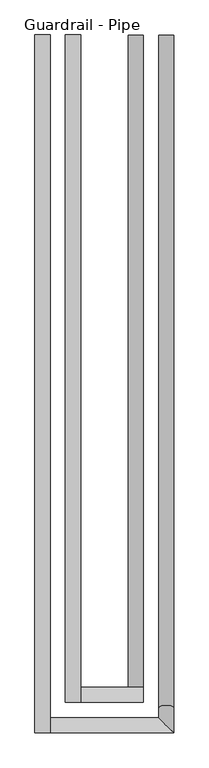
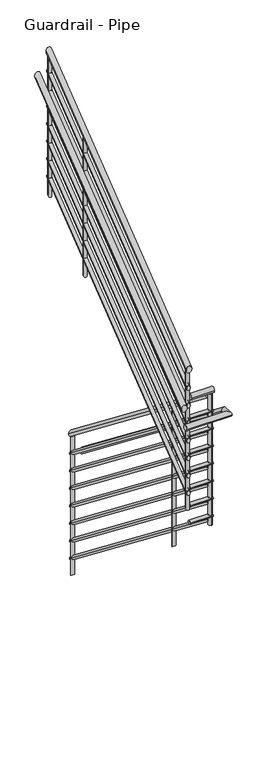
"""IFC4 building model written with IfcOpenShell, lengths in millimetres: railing geometry, Guardrail - Pipe."""

from ifc_helpers import new_model, si_unit, point, frame, frame_2d, origin, place, context, project, spatial, circle_curve, ellipse_curve, trimmed, segment, composite_curve, outline, extrude, source, transform, mapped, element, save
from ifc_brep_helpers import plane_surface, cylinder_surface, advanced_brep


def guardrail_pipe_df04e860(model_context):
    return source(origin(), model_context, "Body", "SolidModel", [
        advanced_brep(
        [(2796.4118823, 247.1226057, 1260.3636861), (2758.3118823, 247.1226057, 1260.3636861), (2796.4118823, -1384.8273943, 2532.0130367), (2758.3118823, -1384.8273943, 2532.0130367)],
        [
            (0, 1, ellipse_curve(frame((2777.3618823, 247.1226057, 1260.3636861), z_axis=(0.0, 1.0, 0.0), x_axis=(0.0, 0.0, -1.0)), 24.1505996, 19.05)),
            (1, 0, ellipse_curve(frame((2777.3618823, 247.1226057, 1260.3636861), z_axis=(0.0, 1.0, 0.0), x_axis=(0.0, 0.0, -1.0)), 24.1505996, 19.05)),
            (2, 3, ellipse_curve(frame((2777.3618823, -1384.8273943, 2532.0130367), z_axis=(0.0, -1.0, 0.0), x_axis=(0.0, 0.0, -1.0)), 24.1505996, 19.05)),
            (3, 2, ellipse_curve(frame((2777.3618823, -1384.8273943, 2532.0130367), z_axis=(0.0, -1.0, 0.0), x_axis=(0.0, 0.0, -1.0)), 24.1505996, 19.05)),
            (0, 2),
            (3, 1),
        ],
        [
            plane_surface(frame((2777.3618823, 247.1226057, 1284.5142857), z_axis=(0.0, 1.0, 0.0), x_axis=(0.0, 0.0, -1.0))),
            plane_surface(frame((2777.3618823, -1384.8273943, 2556.1636364), z_axis=(0.0, -1.0, 0.0), x_axis=(0.0, 0.0, -1.0))),
            cylinder_surface(frame((2777.3618823, 235.4135313, 1269.4876402), z_axis=(0.0, 0.7888002901785599, -0.614649576762418), x_axis=(-1.0, 0.0, 0.0)), 19.05),
        ],
        [
            (0, [[1, 2]]),
            (1, [[3, 4]]),
            (2, [[-1, 5, -4, 6]]),
            (2, [[-2, -6, -3, -5]]),
        ],
    ),
        advanced_brep(
        [(2796.4118823, -1422.9273943, 2571.75), (2796.4118823, -1384.8273943, 2571.75), (2639.318901, -1422.9273943, 2571.75), (2639.318901, -1384.8273943, 2571.75)],
        [
            (0, 1, circle_curve(frame((2796.4118823, -1403.8773943, 2571.75), z_axis=(1.0, 0.0, 0.0), x_axis=(0.0, 1.0, 0.0)), 19.05)),
            (1, 0, circle_curve(frame((2796.4118823, -1403.8773943, 2571.75), z_axis=(1.0, 0.0, 0.0), x_axis=(0.0, 1.0, 0.0)), 19.05)),
            (2, 3, circle_curve(frame((2639.318901, -1403.8773943, 2571.75), z_axis=(-1.0, 0.0, 0.0), x_axis=(0.0, 1.0, 0.0)), 19.05)),
            (3, 2, circle_curve(frame((2639.318901, -1403.8773943, 2571.75), z_axis=(-1.0, 0.0, 0.0), x_axis=(0.0, 1.0, 0.0)), 19.05)),
            (0, 2),
            (3, 1),
        ],
        [
            plane_surface(frame((2796.4118823, -1403.8773943, 2590.8), z_axis=(1.0, 0.0, 0.0), x_axis=(0.0, -1.0, 0.0))),
            plane_surface(frame((2639.318901, -1403.8773943, 2590.8), z_axis=(-1.0, 0.0, 0.0), x_axis=(0.0, -1.0, 0.0))),
            cylinder_surface(frame((2796.4118823, -1403.8773943, 2571.75), z_axis=(1.0, 0.0, 0.0), x_axis=(0.0, 1.0, 0.0)), 19.05),
        ],
        [
            (0, [[1, 2]]),
            (1, [[3, 4]]),
            (2, [[-1, 5, -4, 6]]),
            (2, [[-2, -6, -3, -5]]),
        ],
    ),
        advanced_brep(
        [(2601.218901, -1422.9273943, 2789.311738), (2639.318901, -1422.9273943, 2789.311738), (2601.218901, 247.1226057, 4090.6494004), (2639.318901, 247.1226057, 4090.6494004)],
        [
            (0, 1, ellipse_curve(frame((2620.268901, -1422.9273943, 2789.311738), z_axis=(0.0, -1.0, 0.0), x_axis=(0.0, 0.0, -1.0)), 24.1505996, 19.05)),
            (1, 0, ellipse_curve(frame((2620.268901, -1422.9273943, 2789.311738), z_axis=(0.0, -1.0, 0.0), x_axis=(0.0, 0.0, -1.0)), 24.1505996, 19.05)),
            (2, 3, ellipse_curve(frame((2620.268901, 247.1226057, 4090.6494004), z_axis=(0.0, 1.0, 0.0), x_axis=(0.0, 0.0, -1.0)), 24.1505996, 19.05)),
            (3, 2, ellipse_curve(frame((2620.268901, 247.1226057, 4090.6494004), z_axis=(0.0, 1.0, 0.0), x_axis=(0.0, 0.0, -1.0)), 24.1505996, 19.05)),
            (0, 2),
            (3, 1),
        ],
        [
            plane_surface(frame((2620.268901, -1422.9273943, 2813.4623377), z_axis=(0.0, -1.0, 0.0), x_axis=(0.0, 0.0, 1.0))),
            plane_surface(frame((2620.268901, 247.1226057, 4114.8), z_axis=(0.0, 1.0, 0.0), x_axis=(0.0, 0.0, 1.0))),
            cylinder_surface(frame((2620.268901, -1411.2183198, 2798.4356921), z_axis=(0.0, -0.7888002901785602, -0.6146495767624177), x_axis=(1.0, 0.0, 0.0)), 19.05),
        ],
        [
            (0, [[1, 2]]),
            (1, [[3, 4]]),
            (2, [[-1, 5, -4, 6]]),
            (2, [[-2, -6, -3, -5]]),
        ],
    ),
        advanced_brep(
        [(2790.0618823, 247.1226057, 1116.013886), (2764.6618823, 247.1226057, 1116.013886), (2790.0618823, -1391.1773943, 2392.6112886), (2764.6618823, -1391.1773943, 2392.6112886)],
        [
            (0, 1, ellipse_curve(frame((2777.3618823, 247.1226057, 1116.013886), z_axis=(0.0, 1.0, 0.0), x_axis=(0.0, 0.0, -1.0)), 16.1003998, 12.7)),
            (1, 0, ellipse_curve(frame((2777.3618823, 247.1226057, 1116.013886), z_axis=(0.0, 1.0, 0.0), x_axis=(0.0, 0.0, -1.0)), 16.1003998, 12.7)),
            (2, 3, ellipse_curve(frame((2777.3618823, -1391.1773943, 2392.6112886), z_axis=(0.0, -1.0, 0.0), x_axis=(0.0, 0.0, -1.0)), 16.1003998, 12.7)),
            (3, 2, ellipse_curve(frame((2777.3618823, -1391.1773943, 2392.6112886), z_axis=(0.0, -1.0, 0.0), x_axis=(0.0, 0.0, -1.0)), 16.1003998, 12.7)),
            (0, 2),
            (3, 1),
        ],
        [
            plane_surface(frame((2777.3618823, 247.1226057, 1132.1142857), z_axis=(0.0, 1.0, 0.0), x_axis=(0.0, 0.0, -1.0))),
            plane_surface(frame((2777.3618823, -1391.1773943, 2408.7116883), z_axis=(0.0, -1.0, 0.0), x_axis=(0.0, 0.0, -1.0))),
            cylinder_surface(frame((2777.3618823, 239.3165561, 1122.096522), z_axis=(0.0, 0.7888002901785599, -0.6146495767624182), x_axis=(-1.0, 0.0, 0.0)), 12.7),
        ],
        [
            (0, [[1, 2]]),
            (1, [[3, 4]]),
            (2, [[-1, 5, -4, 6]]),
            (2, [[-2, -6, -3, -5]]),
        ],
    ),
        advanced_brep(
        [(2790.0618823, -1416.5773943, 2425.7), (2790.0618823, -1391.1773943, 2425.7), (2632.968901, -1416.5773943, 2425.7), (2632.968901, -1391.1773943, 2425.7)],
        [
            (0, 1, circle_curve(frame((2790.0618823, -1403.8773943, 2425.7), z_axis=(1.0, 0.0, 0.0), x_axis=(0.0, 1.0, 0.0)), 12.7)),
            (1, 0, circle_curve(frame((2790.0618823, -1403.8773943, 2425.7), z_axis=(1.0, 0.0, 0.0), x_axis=(0.0, 1.0, 0.0)), 12.7)),
            (2, 3, circle_curve(frame((2632.968901, -1403.8773943, 2425.7), z_axis=(-1.0, 0.0, 0.0), x_axis=(0.0, 1.0, 0.0)), 12.7)),
            (3, 2, circle_curve(frame((2632.968901, -1403.8773943, 2425.7), z_axis=(-1.0, 0.0, 0.0), x_axis=(0.0, 1.0, 0.0)), 12.7)),
            (0, 2),
            (3, 1),
        ],
        [
            plane_surface(frame((2790.0618823, -1403.8773943, 2438.4), z_axis=(1.0, 0.0, 0.0), x_axis=(0.0, -1.0, 0.0))),
            plane_surface(frame((2632.968901, -1403.8773943, 2438.4), z_axis=(-1.0, 0.0, 0.0), x_axis=(0.0, -1.0, 0.0))),
            cylinder_surface(frame((2790.0618823, -1403.8773943, 2425.7), z_axis=(1.0, 0.0, 0.0), x_axis=(0.0, 1.0, 0.0)), 12.7),
        ],
        [
            (0, [[1, 2]]),
            (1, [[3, 4]]),
            (2, [[-1, 5, -4, 6]]),
            (2, [[-2, -6, -3, -5]]),
        ],
    ),
        advanced_brep(
        [(2607.568901, -1416.5773943, 2649.9099899), (2632.968901, -1416.5773943, 2649.9099899), (2607.568901, 247.1226057, 3946.2996002), (2632.968901, 247.1226057, 3946.2996002)],
        [
            (0, 1, ellipse_curve(frame((2620.268901, -1416.5773943, 2649.9099899), z_axis=(0.0, -1.0, 0.0), x_axis=(0.0, 0.0, -1.0)), 16.1003998, 12.7)),
            (1, 0, ellipse_curve(frame((2620.268901, -1416.5773943, 2649.9099899), z_axis=(0.0, -1.0, 0.0), x_axis=(0.0, 0.0, -1.0)), 16.1003998, 12.7)),
            (2, 3, ellipse_curve(frame((2620.268901, 247.1226057, 3946.2996002), z_axis=(0.0, 1.0, 0.0), x_axis=(0.0, 0.0, -1.0)), 16.1003998, 12.7)),
            (3, 2, ellipse_curve(frame((2620.268901, 247.1226057, 3946.2996002), z_axis=(0.0, 1.0, 0.0), x_axis=(0.0, 0.0, -1.0)), 16.1003998, 12.7)),
            (0, 2),
            (3, 1),
        ],
        [
            plane_surface(frame((2620.268901, -1416.5773943, 2666.0103896), z_axis=(0.0, -1.0, 0.0), x_axis=(0.0, 0.0, 1.0))),
            plane_surface(frame((2620.268901, 247.1226057, 3962.4), z_axis=(0.0, 1.0, 0.0), x_axis=(0.0, 0.0, 1.0))),
            cylinder_surface(frame((2620.268901, -1408.7713446, 2655.9926259), z_axis=(0.0, -0.7888002901785602, -0.6146495767624177), x_axis=(1.0, 0.0, 0.0)), 12.7),
        ],
        [
            (0, [[1, 2]]),
            (1, [[3, 4]]),
            (2, [[-1, 5, -4, 6]]),
            (2, [[-2, -6, -3, -5]]),
        ],
    ),
        advanced_brep(
        [(2872.6118823, 247.1226057, 1107.9636861), (2834.5118823, 247.1226057, 1107.9636861), (2872.6118823, -1435.8231638, 2419.35), (2834.5118823, -1435.8231638, 2419.35), (2872.6118823, -1499.1273943, 2419.35), (2834.5118823, -1461.0273943, 2419.35), (2563.118901, -1499.1273943, 2419.35), (2563.118901, -1461.0273943, 2419.35)],
        [
            (0, 1, ellipse_curve(frame((2853.5618823, 247.1226057, 1107.9636861), z_axis=(0.0, 1.0, 0.0), x_axis=(0.0, 0.0, -1.0)), 24.1505996, 19.05)),
            (1, 0, ellipse_curve(frame((2853.5618823, 247.1226057, 1107.9636861), z_axis=(0.0, 1.0, 0.0), x_axis=(0.0, 0.0, -1.0)), 24.1505996, 19.05)),
            (0, 2),
            (2, 3, ellipse_curve(frame((2853.5618823, -1435.8231638, 2419.35), z_axis=(0.0, 0.9457273101107316, -0.32496131294466424), x_axis=(0.0, -0.32496131294466407, -0.9457273101107315)), 20.1432271, 19.05)),
            (3, 1),
            (3, 2, ellipse_curve(frame((2853.5618823, -1435.8231638, 2419.35), z_axis=(0.0, 0.9457273101107316, -0.32496131294466424), x_axis=(0.0, -0.32496131294466407, -0.9457273101107315)), 20.1432271, 19.05)),
            (2, 4),
            (4, 5, ellipse_curve(frame((2853.5618823, -1480.0773943, 2419.35), z_axis=(0.7071067811865461, 0.7071067811865489, 0.0), x_axis=(-0.7071067811865489, 0.7071067811865461, 0.0)), 26.9407684, 19.05)),
            (5, 3),
            (5, 4, ellipse_curve(frame((2853.5618823, -1480.0773943, 2419.35), z_axis=(0.7071067811865461, 0.7071067811865489, 0.0), x_axis=(-0.7071067811865489, 0.7071067811865461, 0.0)), 26.9407684, 19.05)),
            (6, 7, circle_curve(frame((2563.118901, -1480.0773943, 2419.35), z_axis=(-1.0, 0.0, 0.0), x_axis=(0.0, 1.0, 0.0)), 19.05)),
            (7, 6, circle_curve(frame((2563.118901, -1480.0773943, 2419.35), z_axis=(-1.0, 0.0, 0.0), x_axis=(0.0, 1.0, 0.0)), 19.05)),
            (4, 6),
            (7, 5),
        ],
        [
            plane_surface(frame((2853.5618823, 247.1226057, 1132.1142857), z_axis=(0.0, 1.0, 0.0), x_axis=(0.0, 0.0, -1.0))),
            cylinder_surface(frame((2853.5618823, 235.4135313, 1117.0876402), z_axis=(0.0, 0.78880029017856, -0.614649576762418), x_axis=(-1.0, 0.0, 0.0)), 19.05),
            cylinder_surface(frame((2853.5618823, -1429.2773943, 2419.35), z_axis=(0.0, 1.0, 0.0), x_axis=(-1.0, 0.0, 0.0)), 19.05),
            plane_surface(frame((2563.118901, -1480.0773943, 2438.4), z_axis=(-1.0, 0.0, 0.0), x_axis=(0.0, -1.0, 0.0))),
            cylinder_surface(frame((2853.5618823, -1480.0773943, 2419.35), z_axis=(1.0, 0.0, 0.0), x_axis=(0.0, 1.0, 0.0)), 19.05),
        ],
        [
            (0, [[1, 2]]),
            (1, [[-1, 3, 4, 5]]),
            (1, [[-2, -5, 6, -3]]),
            (2, [[-4, 7, 8, 9]]),
            (2, [[-6, -9, 10, -7]]),
            (3, [[11, 12]]),
            (4, [[-8, 13, -12, 14]]),
            (4, [[-10, -14, -11, -13]]),
        ],
    ),
        advanced_brep(
        [(2525.018901, -1499.1273943, 2577.5351147), (2563.118901, -1499.1273943, 2577.5351147), (2525.018901, 247.1226057, 3938.2494004), (2563.118901, 247.1226057, 3938.2494004)],
        [
            (0, 1, ellipse_curve(frame((2544.068901, -1499.1273943, 2577.5351147), z_axis=(0.0, -1.0, 0.0), x_axis=(0.0, 0.0, -1.0)), 24.1505996, 19.05)),
            (1, 0, ellipse_curve(frame((2544.068901, -1499.1273943, 2577.5351147), z_axis=(0.0, -1.0, 0.0), x_axis=(0.0, 0.0, -1.0)), 24.1505996, 19.05)),
            (2, 3, ellipse_curve(frame((2544.068901, 247.1226057, 3938.2494004), z_axis=(0.0, 1.0, 0.0), x_axis=(0.0, 0.0, -1.0)), 24.1505996, 19.05)),
            (3, 2, ellipse_curve(frame((2544.068901, 247.1226057, 3938.2494004), z_axis=(0.0, 1.0, 0.0), x_axis=(0.0, 0.0, -1.0)), 24.1505996, 19.05)),
            (0, 2),
            (3, 1),
        ],
        [
            plane_surface(frame((2544.068901, -1499.1273943, 2601.6857143), z_axis=(0.0, -1.0, 0.0), x_axis=(0.0, 0.0, 1.0))),
            plane_surface(frame((2544.068901, 247.1226057, 3962.4), z_axis=(0.0, 1.0, 0.0), x_axis=(0.0, 0.0, 1.0))),
            cylinder_surface(frame((2544.068901, -1487.4183198, 2586.6590688), z_axis=(0.0, -0.7888002901785602, -0.6146495767624176), x_axis=(1.0, 0.0, 0.0)), 19.05),
        ],
        [
            (0, [[1, 2]]),
            (1, [[3, 4]]),
            (2, [[-1, 5, -4, 6]]),
            (2, [[-2, -6, -3, -5]]),
        ],
    ),
        advanced_brep(
        [(2790.0618823, 247.1226057, 989.013886), (2764.6618823, 247.1226057, 989.013886), (2790.0618823, -1391.1773943, 2265.6112886), (2764.6618823, -1391.1773943, 2265.6112886)],
        [
            (0, 1, ellipse_curve(frame((2777.3618823, 247.1226057, 989.013886), z_axis=(0.0, 1.0, 0.0), x_axis=(0.0, 0.0, -1.0)), 16.1003998, 12.7)),
            (1, 0, ellipse_curve(frame((2777.3618823, 247.1226057, 989.013886), z_axis=(0.0, 1.0, 0.0), x_axis=(0.0, 0.0, -1.0)), 16.1003998, 12.7)),
            (2, 3, ellipse_curve(frame((2777.3618823, -1391.1773943, 2265.6112886), z_axis=(0.0, -1.0, 0.0), x_axis=(0.0, 0.0, -1.0)), 16.1003998, 12.7)),
            (3, 2, ellipse_curve(frame((2777.3618823, -1391.1773943, 2265.6112886), z_axis=(0.0, -1.0, 0.0), x_axis=(0.0, 0.0, -1.0)), 16.1003998, 12.7)),
            (0, 2),
            (3, 1),
        ],
        [
            plane_surface(frame((2777.3618823, 247.1226057, 1005.1142857), z_axis=(0.0, 1.0, 0.0), x_axis=(0.0, 0.0, -1.0))),
            plane_surface(frame((2777.3618823, -1391.1773943, 2281.7116883), z_axis=(0.0, -1.0, 0.0), x_axis=(0.0, 0.0, -1.0))),
            cylinder_surface(frame((2777.3618823, 239.3165561, 995.096522), z_axis=(0.0, 0.7888002901785599, -0.6146495767624182), x_axis=(-1.0, 0.0, 0.0)), 12.7),
        ],
        [
            (0, [[1, 2]]),
            (1, [[3, 4]]),
            (2, [[-1, 5, -4, 6]]),
            (2, [[-2, -6, -3, -5]]),
        ],
    ),
        advanced_brep(
        [(2790.0618823, -1416.5773943, 2298.7), (2790.0618823, -1391.1773943, 2298.7), (2632.968901, -1416.5773943, 2298.7), (2632.968901, -1391.1773943, 2298.7)],
        [
            (0, 1, circle_curve(frame((2790.0618823, -1403.8773943, 2298.7), z_axis=(1.0, 0.0, 0.0), x_axis=(0.0, 1.0, 0.0)), 12.7)),
            (1, 0, circle_curve(frame((2790.0618823, -1403.8773943, 2298.7), z_axis=(1.0, 0.0, 0.0), x_axis=(0.0, 1.0, 0.0)), 12.7)),
            (2, 3, circle_curve(frame((2632.968901, -1403.8773943, 2298.7), z_axis=(-1.0, 0.0, 0.0), x_axis=(0.0, 1.0, 0.0)), 12.7)),
            (3, 2, circle_curve(frame((2632.968901, -1403.8773943, 2298.7), z_axis=(-1.0, 0.0, 0.0), x_axis=(0.0, 1.0, 0.0)), 12.7)),
            (0, 2),
            (3, 1),
        ],
        [
            plane_surface(frame((2790.0618823, -1403.8773943, 2311.4), z_axis=(1.0, 0.0, 0.0), x_axis=(0.0, -1.0, 0.0))),
            plane_surface(frame((2632.968901, -1403.8773943, 2311.4), z_axis=(-1.0, 0.0, 0.0), x_axis=(0.0, -1.0, 0.0))),
            cylinder_surface(frame((2790.0618823, -1403.8773943, 2298.7), z_axis=(1.0, 0.0, 0.0), x_axis=(0.0, 1.0, 0.0)), 12.7),
        ],
        [
            (0, [[1, 2]]),
            (1, [[3, 4]]),
            (2, [[-1, 5, -4, 6]]),
            (2, [[-2, -6, -3, -5]]),
        ],
    ),
        advanced_brep(
        [(2607.568901, -1416.5773943, 2522.9099899), (2632.968901, -1416.5773943, 2522.9099899), (2607.568901, 247.1226057, 3819.2996002), (2632.968901, 247.1226057, 3819.2996002)],
        [
            (0, 1, ellipse_curve(frame((2620.268901, -1416.5773943, 2522.9099899), z_axis=(0.0, -1.0, 0.0), x_axis=(0.0, 0.0, -1.0)), 16.1003998, 12.7)),
            (1, 0, ellipse_curve(frame((2620.268901, -1416.5773943, 2522.9099899), z_axis=(0.0, -1.0, 0.0), x_axis=(0.0, 0.0, -1.0)), 16.1003998, 12.7)),
            (2, 3, ellipse_curve(frame((2620.268901, 247.1226057, 3819.2996002), z_axis=(0.0, 1.0, 0.0), x_axis=(0.0, 0.0, -1.0)), 16.1003998, 12.7)),
            (3, 2, ellipse_curve(frame((2620.268901, 247.1226057, 3819.2996002), z_axis=(0.0, 1.0, 0.0), x_axis=(0.0, 0.0, -1.0)), 16.1003998, 12.7)),
            (0, 2),
            (3, 1),
        ],
        [
            plane_surface(frame((2620.268901, -1416.5773943, 2539.0103896), z_axis=(0.0, -1.0, 0.0), x_axis=(0.0, 0.0, 1.0))),
            plane_surface(frame((2620.268901, 247.1226057, 3835.4), z_axis=(0.0, 1.0, 0.0), x_axis=(0.0, 0.0, 1.0))),
            cylinder_surface(frame((2620.268901, -1408.7713446, 2528.9926259), z_axis=(0.0, -0.7888002901785603, -0.6146495767624175), x_axis=(1.0, 0.0, 0.0)), 12.7),
        ],
        [
            (0, [[1, 2]]),
            (1, [[3, 4]]),
            (2, [[-1, 5, -4, 6]]),
            (2, [[-2, -6, -3, -5]]),
        ],
    ),
        advanced_brep(
        [(2790.0618823, 247.1226057, 862.013886), (2764.6618823, 247.1226057, 862.013886), (2790.0618823, -1391.1773943, 2138.6112886), (2764.6618823, -1391.1773943, 2138.6112886)],
        [
            (0, 1, ellipse_curve(frame((2777.3618823, 247.1226057, 862.013886), z_axis=(0.0, 1.0, 0.0), x_axis=(0.0, 0.0, -1.0)), 16.1003998, 12.7)),
            (1, 0, ellipse_curve(frame((2777.3618823, 247.1226057, 862.013886), z_axis=(0.0, 1.0, 0.0), x_axis=(0.0, 0.0, -1.0)), 16.1003998, 12.7)),
            (2, 3, ellipse_curve(frame((2777.3618823, -1391.1773943, 2138.6112886), z_axis=(0.0, -1.0, 0.0), x_axis=(0.0, 0.0, -1.0)), 16.1003998, 12.7)),
            (3, 2, ellipse_curve(frame((2777.3618823, -1391.1773943, 2138.6112886), z_axis=(0.0, -1.0, 0.0), x_axis=(0.0, 0.0, -1.0)), 16.1003998, 12.7)),
            (0, 2),
            (3, 1),
        ],
        [
            plane_surface(frame((2777.3618823, 247.1226057, 878.1142857), z_axis=(0.0, 1.0, 0.0), x_axis=(0.0, 0.0, -1.0))),
            plane_surface(frame((2777.3618823, -1391.1773943, 2154.7116883), z_axis=(0.0, -1.0, 0.0), x_axis=(0.0, 0.0, -1.0))),
            cylinder_surface(frame((2777.3618823, 239.3165561, 868.096522), z_axis=(0.0, 0.7888002901785599, -0.614649576762418), x_axis=(-1.0, 0.0, 0.0)), 12.7),
        ],
        [
            (0, [[1, 2]]),
            (1, [[3, 4]]),
            (2, [[-1, 5, -4, 6]]),
            (2, [[-2, -6, -3, -5]]),
        ],
    ),
        advanced_brep(
        [(2790.0618823, -1416.5773943, 2171.7), (2790.0618823, -1391.1773943, 2171.7), (2632.968901, -1416.5773943, 2171.7), (2632.968901, -1391.1773943, 2171.7)],
        [
            (0, 1, circle_curve(frame((2790.0618823, -1403.8773943, 2171.7), z_axis=(1.0, 0.0, 0.0), x_axis=(0.0, 1.0, 0.0)), 12.7)),
            (1, 0, circle_curve(frame((2790.0618823, -1403.8773943, 2171.7), z_axis=(1.0, 0.0, 0.0), x_axis=(0.0, 1.0, 0.0)), 12.7)),
            (2, 3, circle_curve(frame((2632.968901, -1403.8773943, 2171.7), z_axis=(-1.0, 0.0, 0.0), x_axis=(0.0, 1.0, 0.0)), 12.7)),
            (3, 2, circle_curve(frame((2632.968901, -1403.8773943, 2171.7), z_axis=(-1.0, 0.0, 0.0), x_axis=(0.0, 1.0, 0.0)), 12.7)),
            (0, 2),
            (3, 1),
        ],
        [
            plane_surface(frame((2790.0618823, -1403.8773943, 2184.4), z_axis=(1.0, 0.0, 0.0), x_axis=(0.0, -1.0, 0.0))),
            plane_surface(frame((2632.968901, -1403.8773943, 2184.4), z_axis=(-1.0, 0.0, 0.0), x_axis=(0.0, -1.0, 0.0))),
            cylinder_surface(frame((2790.0618823, -1403.8773943, 2171.7), z_axis=(1.0, 0.0, 0.0), x_axis=(0.0, 1.0, 0.0)), 12.7),
        ],
        [
            (0, [[1, 2]]),
            (1, [[3, 4]]),
            (2, [[-1, 5, -4, 6]]),
            (2, [[-2, -6, -3, -5]]),
        ],
    ),
        advanced_brep(
        [(2607.568901, -1416.5773943, 2395.9099899), (2632.968901, -1416.5773943, 2395.9099899), (2607.568901, 247.1226057, 3692.2996002), (2632.968901, 247.1226057, 3692.2996002)],
        [
            (0, 1, ellipse_curve(frame((2620.268901, -1416.5773943, 2395.9099899), z_axis=(0.0, -1.0, 0.0), x_axis=(0.0, 0.0, -1.0)), 16.1003998, 12.7)),
            (1, 0, ellipse_curve(frame((2620.268901, -1416.5773943, 2395.9099899), z_axis=(0.0, -1.0, 0.0), x_axis=(0.0, 0.0, -1.0)), 16.1003998, 12.7)),
            (2, 3, ellipse_curve(frame((2620.268901, 247.1226057, 3692.2996002), z_axis=(0.0, 1.0, 0.0), x_axis=(0.0, 0.0, -1.0)), 16.1003998, 12.7)),
            (3, 2, ellipse_curve(frame((2620.268901, 247.1226057, 3692.2996002), z_axis=(0.0, 1.0, 0.0), x_axis=(0.0, 0.0, -1.0)), 16.1003998, 12.7)),
            (0, 2),
            (3, 1),
        ],
        [
            plane_surface(frame((2620.268901, -1416.5773943, 2412.0103896), z_axis=(0.0, -1.0, 0.0), x_axis=(0.0, 0.0, 1.0))),
            plane_surface(frame((2620.268901, 247.1226057, 3708.4), z_axis=(0.0, 1.0, 0.0), x_axis=(0.0, 0.0, 1.0))),
            cylinder_surface(frame((2620.268901, -1408.7713446, 2401.9926259), z_axis=(0.0, -0.7888002901785602, -0.6146495767624177), x_axis=(1.0, 0.0, 0.0)), 12.7),
        ],
        [
            (0, [[1, 2]]),
            (1, [[3, 4]]),
            (2, [[-1, 5, -4, 6]]),
            (2, [[-2, -6, -3, -5]]),
        ],
    ),
        advanced_brep(
        [(2790.0618823, 247.1226057, 735.013886), (2764.6618823, 247.1226057, 735.013886), (2790.0618823, -1391.1773943, 2011.6112886), (2764.6618823, -1391.1773943, 2011.6112886)],
        [
            (0, 1, ellipse_curve(frame((2777.3618823, 247.1226057, 735.013886), z_axis=(0.0, 1.0, 0.0), x_axis=(0.0, 0.0, -1.0)), 16.1003998, 12.7)),
            (1, 0, ellipse_curve(frame((2777.3618823, 247.1226057, 735.013886), z_axis=(0.0, 1.0, 0.0), x_axis=(0.0, 0.0, -1.0)), 16.1003998, 12.7)),
            (2, 3, ellipse_curve(frame((2777.3618823, -1391.1773943, 2011.6112886), z_axis=(0.0, -1.0, 0.0), x_axis=(0.0, 0.0, -1.0)), 16.1003998, 12.7)),
            (3, 2, ellipse_curve(frame((2777.3618823, -1391.1773943, 2011.6112886), z_axis=(0.0, -1.0, 0.0), x_axis=(0.0, 0.0, -1.0)), 16.1003998, 12.7)),
            (0, 2),
            (3, 1),
        ],
        [
            plane_surface(frame((2777.3618823, 247.1226057, 751.1142857), z_axis=(0.0, 1.0, 0.0), x_axis=(0.0, 0.0, -1.0))),
            plane_surface(frame((2777.3618823, -1391.1773943, 2027.7116883), z_axis=(0.0, -1.0, 0.0), x_axis=(0.0, 0.0, -1.0))),
            cylinder_surface(frame((2777.3618823, 239.3165561, 741.096522), z_axis=(0.0, 0.7888002901785599, -0.6146495767624182), x_axis=(-1.0, 0.0, 0.0)), 12.7),
        ],
        [
            (0, [[1, 2]]),
            (1, [[3, 4]]),
            (2, [[-1, 5, -4, 6]]),
            (2, [[-2, -6, -3, -5]]),
        ],
    ),
        advanced_brep(
        [(2790.0618823, -1416.5773943, 2044.7), (2790.0618823, -1391.1773943, 2044.7), (2632.968901, -1416.5773943, 2044.7), (2632.968901, -1391.1773943, 2044.7)],
        [
            (0, 1, circle_curve(frame((2790.0618823, -1403.8773943, 2044.7), z_axis=(1.0, 0.0, 0.0), x_axis=(0.0, 1.0, 0.0)), 12.7)),
            (1, 0, circle_curve(frame((2790.0618823, -1403.8773943, 2044.7), z_axis=(1.0, 0.0, 0.0), x_axis=(0.0, 1.0, 0.0)), 12.7)),
            (2, 3, circle_curve(frame((2632.968901, -1403.8773943, 2044.7), z_axis=(-1.0, 0.0, 0.0), x_axis=(0.0, 1.0, 0.0)), 12.7)),
            (3, 2, circle_curve(frame((2632.968901, -1403.8773943, 2044.7), z_axis=(-1.0, 0.0, 0.0), x_axis=(0.0, 1.0, 0.0)), 12.7)),
            (0, 2),
            (3, 1),
        ],
        [
            plane_surface(frame((2790.0618823, -1403.8773943, 2057.4), z_axis=(1.0, 0.0, 0.0), x_axis=(0.0, -1.0, 0.0))),
            plane_surface(frame((2632.968901, -1403.8773943, 2057.4), z_axis=(-1.0, 0.0, 0.0), x_axis=(0.0, -1.0, 0.0))),
            cylinder_surface(frame((2790.0618823, -1403.8773943, 2044.7), z_axis=(1.0, 0.0, 0.0), x_axis=(0.0, 1.0, 0.0)), 12.7),
        ],
        [
            (0, [[1, 2]]),
            (1, [[3, 4]]),
            (2, [[-1, 5, -4, 6]]),
            (2, [[-2, -6, -3, -5]]),
        ],
    ),
        advanced_brep(
        [(2607.568901, -1416.5773943, 2268.9099899), (2632.968901, -1416.5773943, 2268.9099899), (2607.568901, 247.1226057, 3565.2996002), (2632.968901, 247.1226057, 3565.2996002)],
        [
            (0, 1, ellipse_curve(frame((2620.268901, -1416.5773943, 2268.9099899), z_axis=(0.0, -1.0, 0.0), x_axis=(0.0, 0.0, -1.0)), 16.1003998, 12.7)),
            (1, 0, ellipse_curve(frame((2620.268901, -1416.5773943, 2268.9099899), z_axis=(0.0, -1.0, 0.0), x_axis=(0.0, 0.0, -1.0)), 16.1003998, 12.7)),
            (2, 3, ellipse_curve(frame((2620.268901, 247.1226057, 3565.2996002), z_axis=(0.0, 1.0, 0.0), x_axis=(0.0, 0.0, -1.0)), 16.1003998, 12.7)),
            (3, 2, ellipse_curve(frame((2620.268901, 247.1226057, 3565.2996002), z_axis=(0.0, 1.0, 0.0), x_axis=(0.0, 0.0, -1.0)), 16.1003998, 12.7)),
            (0, 2),
            (3, 1),
        ],
        [
            plane_surface(frame((2620.268901, -1416.5773943, 2285.0103896), z_axis=(0.0, -1.0, 0.0), x_axis=(0.0, 0.0, 1.0))),
            plane_surface(frame((2620.268901, 247.1226057, 3581.4), z_axis=(0.0, 1.0, 0.0), x_axis=(0.0, 0.0, 1.0))),
            cylinder_surface(frame((2620.268901, -1408.7713446, 2274.9926259), z_axis=(0.0, -0.7888002901785602, -0.6146495767624177), x_axis=(1.0, 0.0, 0.0)), 12.7),
        ],
        [
            (0, [[1, 2]]),
            (1, [[3, 4]]),
            (2, [[-1, 5, -4, 6]]),
            (2, [[-2, -6, -3, -5]]),
        ],
    ),
        advanced_brep(
        [(2790.0618823, 247.1226057, 608.013886), (2764.6618823, 247.1226057, 608.013886), (2790.0618823, -1391.1773943, 1884.6112886), (2764.6618823, -1391.1773943, 1884.6112886)],
        [
            (0, 1, ellipse_curve(frame((2777.3618823, 247.1226057, 608.013886), z_axis=(0.0, 1.0, 0.0), x_axis=(0.0, 0.0, -1.0)), 16.1003998, 12.7)),
            (1, 0, ellipse_curve(frame((2777.3618823, 247.1226057, 608.013886), z_axis=(0.0, 1.0, 0.0), x_axis=(0.0, 0.0, -1.0)), 16.1003998, 12.7)),
            (2, 3, ellipse_curve(frame((2777.3618823, -1391.1773943, 1884.6112886), z_axis=(0.0, -1.0, 0.0), x_axis=(0.0, 0.0, -1.0)), 16.1003998, 12.7)),
            (3, 2, ellipse_curve(frame((2777.3618823, -1391.1773943, 1884.6112886), z_axis=(0.0, -1.0, 0.0), x_axis=(0.0, 0.0, -1.0)), 16.1003998, 12.7)),
            (0, 2),
            (3, 1),
        ],
        [
            plane_surface(frame((2777.3618823, 247.1226057, 624.1142857), z_axis=(0.0, 1.0, 0.0), x_axis=(0.0, 0.0, -1.0))),
            plane_surface(frame((2777.3618823, -1391.1773943, 1900.7116883), z_axis=(0.0, -1.0, 0.0), x_axis=(0.0, 0.0, -1.0))),
            cylinder_surface(frame((2777.3618823, 239.3165561, 614.096522), z_axis=(0.0, 0.7888002901785599, -0.614649576762418), x_axis=(-1.0, 0.0, 0.0)), 12.7),
        ],
        [
            (0, [[1, 2]]),
            (1, [[3, 4]]),
            (2, [[-1, 5, -4, 6]]),
            (2, [[-2, -6, -3, -5]]),
        ],
    ),
        advanced_brep(
        [(2790.0618823, -1416.5773943, 1917.7), (2790.0618823, -1391.1773943, 1917.7), (2632.968901, -1416.5773943, 1917.7), (2632.968901, -1391.1773943, 1917.7)],
        [
            (0, 1, circle_curve(frame((2790.0618823, -1403.8773943, 1917.7), z_axis=(1.0, 0.0, 0.0), x_axis=(0.0, 1.0, 0.0)), 12.7)),
            (1, 0, circle_curve(frame((2790.0618823, -1403.8773943, 1917.7), z_axis=(1.0, 0.0, 0.0), x_axis=(0.0, 1.0, 0.0)), 12.7)),
            (2, 3, circle_curve(frame((2632.968901, -1403.8773943, 1917.7), z_axis=(-1.0, 0.0, 0.0), x_axis=(0.0, 1.0, 0.0)), 12.7)),
            (3, 2, circle_curve(frame((2632.968901, -1403.8773943, 1917.7), z_axis=(-1.0, 0.0, 0.0), x_axis=(0.0, 1.0, 0.0)), 12.7)),
            (0, 2),
            (3, 1),
        ],
        [
            plane_surface(frame((2790.0618823, -1403.8773943, 1930.4), z_axis=(1.0, 0.0, 0.0), x_axis=(0.0, -1.0, 0.0))),
            plane_surface(frame((2632.968901, -1403.8773943, 1930.4), z_axis=(-1.0, 0.0, 0.0), x_axis=(0.0, -1.0, 0.0))),
            cylinder_surface(frame((2790.0618823, -1403.8773943, 1917.7), z_axis=(1.0, 0.0, 0.0), x_axis=(0.0, 1.0, 0.0)), 12.7),
        ],
        [
            (0, [[1, 2]]),
            (1, [[3, 4]]),
            (2, [[-1, 5, -4, 6]]),
            (2, [[-2, -6, -3, -5]]),
        ],
    ),
        advanced_brep(
        [(2607.568901, -1416.5773943, 2141.9099899), (2632.968901, -1416.5773943, 2141.9099899), (2607.568901, 247.1226057, 3438.2996002), (2632.968901, 247.1226057, 3438.2996002)],
        [
            (0, 1, ellipse_curve(frame((2620.268901, -1416.5773943, 2141.9099899), z_axis=(0.0, -1.0, 0.0), x_axis=(0.0, 0.0, -1.0)), 16.1003998, 12.7)),
            (1, 0, ellipse_curve(frame((2620.268901, -1416.5773943, 2141.9099899), z_axis=(0.0, -1.0, 0.0), x_axis=(0.0, 0.0, -1.0)), 16.1003998, 12.7)),
            (2, 3, ellipse_curve(frame((2620.268901, 247.1226057, 3438.2996002), z_axis=(0.0, 1.0, 0.0), x_axis=(0.0, 0.0, -1.0)), 16.1003998, 12.7)),
            (3, 2, ellipse_curve(frame((2620.268901, 247.1226057, 3438.2996002), z_axis=(0.0, 1.0, 0.0), x_axis=(0.0, 0.0, -1.0)), 16.1003998, 12.7)),
            (0, 2),
            (3, 1),
        ],
        [
            plane_surface(frame((2620.268901, -1416.5773943, 2158.0103896), z_axis=(0.0, -1.0, 0.0), x_axis=(0.0, 0.0, 1.0))),
            plane_surface(frame((2620.268901, 247.1226057, 3454.4), z_axis=(0.0, 1.0, 0.0), x_axis=(0.0, 0.0, 1.0))),
            cylinder_surface(frame((2620.268901, -1408.7713446, 2147.9926259), z_axis=(0.0, -0.7888002901785602, -0.6146495767624178), x_axis=(1.0, 0.0, 0.0)), 12.7),
        ],
        [
            (0, [[1, 2]]),
            (1, [[3, 4]]),
            (2, [[-1, 5, -4, 6]]),
            (2, [[-2, -6, -3, -5]]),
        ],
    ),
        advanced_brep(
        [(2790.0618823, 247.1226057, 481.013886), (2764.6618823, 247.1226057, 481.013886), (2790.0618823, -1391.1773943, 1757.6112886), (2764.6618823, -1391.1773943, 1757.6112886)],
        [
            (0, 1, ellipse_curve(frame((2777.3618823, 247.1226057, 481.013886), z_axis=(0.0, 1.0, 0.0), x_axis=(0.0, 0.0, -1.0)), 16.1003998, 12.7)),
            (1, 0, ellipse_curve(frame((2777.3618823, 247.1226057, 481.013886), z_axis=(0.0, 1.0, 0.0), x_axis=(0.0, 0.0, -1.0)), 16.1003998, 12.7)),
            (2, 3, ellipse_curve(frame((2777.3618823, -1391.1773943, 1757.6112886), z_axis=(0.0, -1.0, 0.0), x_axis=(0.0, 0.0, -1.0)), 16.1003998, 12.7)),
            (3, 2, ellipse_curve(frame((2777.3618823, -1391.1773943, 1757.6112886), z_axis=(0.0, -1.0, 0.0), x_axis=(0.0, 0.0, -1.0)), 16.1003998, 12.7)),
            (0, 2),
            (3, 1),
        ],
        [
            plane_surface(frame((2777.3618823, 247.1226057, 497.1142857), z_axis=(0.0, 1.0, 0.0), x_axis=(0.0, 0.0, -1.0))),
            plane_surface(frame((2777.3618823, -1391.1773943, 1773.7116883), z_axis=(0.0, -1.0, 0.0), x_axis=(0.0, 0.0, -1.0))),
            cylinder_surface(frame((2777.3618823, 239.3165561, 487.096522), z_axis=(0.0, 0.7888002901785599, -0.6146495767624182), x_axis=(-1.0, 0.0, 0.0)), 12.7),
        ],
        [
            (0, [[1, 2]]),
            (1, [[3, 4]]),
            (2, [[-1, 5, -4, 6]]),
            (2, [[-2, -6, -3, -5]]),
        ],
    ),
        advanced_brep(
        [(2790.0618823, -1416.5773943, 1790.7), (2790.0618823, -1391.1773943, 1790.7), (2632.968901, -1416.5773943, 1790.7), (2632.968901, -1391.1773943, 1790.7)],
        [
            (0, 1, circle_curve(frame((2790.0618823, -1403.8773943, 1790.7), z_axis=(1.0, 0.0, 0.0), x_axis=(0.0, 1.0, 0.0)), 12.7)),
            (1, 0, circle_curve(frame((2790.0618823, -1403.8773943, 1790.7), z_axis=(1.0, 0.0, 0.0), x_axis=(0.0, 1.0, 0.0)), 12.7)),
            (2, 3, circle_curve(frame((2632.968901, -1403.8773943, 1790.7), z_axis=(-1.0, 0.0, 0.0), x_axis=(0.0, 1.0, 0.0)), 12.7)),
            (3, 2, circle_curve(frame((2632.968901, -1403.8773943, 1790.7), z_axis=(-1.0, 0.0, 0.0), x_axis=(0.0, 1.0, 0.0)), 12.7)),
            (0, 2),
            (3, 1),
        ],
        [
            plane_surface(frame((2790.0618823, -1403.8773943, 1803.4), z_axis=(1.0, 0.0, 0.0), x_axis=(0.0, -1.0, 0.0))),
            plane_surface(frame((2632.968901, -1403.8773943, 1803.4), z_axis=(-1.0, 0.0, 0.0), x_axis=(0.0, -1.0, 0.0))),
            cylinder_surface(frame((2790.0618823, -1403.8773943, 1790.7), z_axis=(1.0, 0.0, 0.0), x_axis=(0.0, 1.0, 0.0)), 12.7),
        ],
        [
            (0, [[1, 2]]),
            (1, [[3, 4]]),
            (2, [[-1, 5, -4, 6]]),
            (2, [[-2, -6, -3, -5]]),
        ],
    ),
        advanced_brep(
        [(2607.568901, -1416.5773943, 2014.9099899), (2632.968901, -1416.5773943, 2014.9099899), (2607.568901, 247.1226057, 3311.2996002), (2632.968901, 247.1226057, 3311.2996002)],
        [
            (0, 1, ellipse_curve(frame((2620.268901, -1416.5773943, 2014.9099899), z_axis=(0.0, -1.0, 0.0), x_axis=(0.0, 0.0, -1.0)), 16.1003998, 12.7)),
            (1, 0, ellipse_curve(frame((2620.268901, -1416.5773943, 2014.9099899), z_axis=(0.0, -1.0, 0.0), x_axis=(0.0, 0.0, -1.0)), 16.1003998, 12.7)),
            (2, 3, ellipse_curve(frame((2620.268901, 247.1226057, 3311.2996002), z_axis=(0.0, 1.0, 0.0), x_axis=(0.0, 0.0, -1.0)), 16.1003998, 12.7)),
            (3, 2, ellipse_curve(frame((2620.268901, 247.1226057, 3311.2996002), z_axis=(0.0, 1.0, 0.0), x_axis=(0.0, 0.0, -1.0)), 16.1003998, 12.7)),
            (0, 2),
            (3, 1),
        ],
        [
            plane_surface(frame((2620.268901, -1416.5773943, 2031.0103896), z_axis=(0.0, -1.0, 0.0), x_axis=(0.0, 0.0, 1.0))),
            plane_surface(frame((2620.268901, 247.1226057, 3327.4), z_axis=(0.0, 1.0, 0.0), x_axis=(0.0, 0.0, 1.0))),
            cylinder_surface(frame((2620.268901, -1408.7713446, 2020.9926259), z_axis=(0.0, -0.7888002901785603, -0.6146495767624176), x_axis=(1.0, 0.0, 0.0)), 12.7),
        ],
        [
            (0, [[1, 2]]),
            (1, [[3, 4]]),
            (2, [[-1, 5, -4, 6]]),
            (2, [[-2, -6, -3, -5]]),
        ],
    ),
        advanced_brep(
        [(2790.0618823, 247.1226057, 354.013886), (2764.6618823, 247.1226057, 354.013886), (2790.0618823, -1391.1773943, 1630.6112886), (2764.6618823, -1391.1773943, 1630.6112886)],
        [
            (0, 1, ellipse_curve(frame((2777.3618823, 247.1226057, 354.013886), z_axis=(0.0, 1.0, 0.0), x_axis=(0.0, 0.0, -1.0)), 16.1003998, 12.7)),
            (1, 0, ellipse_curve(frame((2777.3618823, 247.1226057, 354.013886), z_axis=(0.0, 1.0, 0.0), x_axis=(0.0, 0.0, -1.0)), 16.1003998, 12.7)),
            (2, 3, ellipse_curve(frame((2777.3618823, -1391.1773943, 1630.6112886), z_axis=(0.0, -1.0, 0.0), x_axis=(0.0, 0.0, -1.0)), 16.1003998, 12.7)),
            (3, 2, ellipse_curve(frame((2777.3618823, -1391.1773943, 1630.6112886), z_axis=(0.0, -1.0, 0.0), x_axis=(0.0, 0.0, -1.0)), 16.1003998, 12.7)),
            (0, 2),
            (3, 1),
        ],
        [
            plane_surface(frame((2777.3618823, 247.1226057, 370.1142857), z_axis=(0.0, 1.0, 0.0), x_axis=(0.0, 0.0, -1.0))),
            plane_surface(frame((2777.3618823, -1391.1773943, 1646.7116883), z_axis=(0.0, -1.0, 0.0), x_axis=(0.0, 0.0, -1.0))),
            cylinder_surface(frame((2777.3618823, 239.3165561, 360.096522), z_axis=(0.0, 0.7888002901785599, -0.6146495767624182), x_axis=(-1.0, 0.0, 0.0)), 12.7),
        ],
        [
            (0, [[1, 2]]),
            (1, [[3, 4]]),
            (2, [[-1, 5, -4, 6]]),
            (2, [[-2, -6, -3, -5]]),
        ],
    ),
        advanced_brep(
        [(2790.0618823, -1416.5773943, 1663.7), (2790.0618823, -1391.1773943, 1663.7), (2632.968901, -1416.5773943, 1663.7), (2632.968901, -1391.1773943, 1663.7)],
        [
            (0, 1, circle_curve(frame((2790.0618823, -1403.8773943, 1663.7), z_axis=(1.0, 0.0, 0.0), x_axis=(0.0, 1.0, 0.0)), 12.7)),
            (1, 0, circle_curve(frame((2790.0618823, -1403.8773943, 1663.7), z_axis=(1.0, 0.0, 0.0), x_axis=(0.0, 1.0, 0.0)), 12.7)),
            (2, 3, circle_curve(frame((2632.968901, -1403.8773943, 1663.7), z_axis=(-1.0, 0.0, 0.0), x_axis=(0.0, 1.0, 0.0)), 12.7)),
            (3, 2, circle_curve(frame((2632.968901, -1403.8773943, 1663.7), z_axis=(-1.0, 0.0, 0.0), x_axis=(0.0, 1.0, 0.0)), 12.7)),
            (0, 2),
            (3, 1),
        ],
        [
            plane_surface(frame((2790.0618823, -1403.8773943, 1676.4), z_axis=(1.0, 0.0, 0.0), x_axis=(0.0, -1.0, 0.0))),
            plane_surface(frame((2632.968901, -1403.8773943, 1676.4), z_axis=(-1.0, 0.0, 0.0), x_axis=(0.0, -1.0, 0.0))),
            cylinder_surface(frame((2790.0618823, -1403.8773943, 1663.7), z_axis=(1.0, 0.0, 0.0), x_axis=(0.0, 1.0, 0.0)), 12.7),
        ],
        [
            (0, [[1, 2]]),
            (1, [[3, 4]]),
            (2, [[-1, 5, -4, 6]]),
            (2, [[-2, -6, -3, -5]]),
        ],
    ),
        advanced_brep(
        [(2607.568901, -1416.5773943, 1887.9099899), (2632.968901, -1416.5773943, 1887.9099899), (2607.568901, 247.1226057, 3184.2996002), (2632.968901, 247.1226057, 3184.2996002)],
        [
            (0, 1, ellipse_curve(frame((2620.268901, -1416.5773943, 1887.9099899), z_axis=(0.0, -1.0, 0.0), x_axis=(0.0, 0.0, -1.0)), 16.1003998, 12.7)),
            (1, 0, ellipse_curve(frame((2620.268901, -1416.5773943, 1887.9099899), z_axis=(0.0, -1.0, 0.0), x_axis=(0.0, 0.0, -1.0)), 16.1003998, 12.7)),
            (2, 3, ellipse_curve(frame((2620.268901, 247.1226057, 3184.2996002), z_axis=(0.0, 1.0, 0.0), x_axis=(0.0, 0.0, -1.0)), 16.1003998, 12.7)),
            (3, 2, ellipse_curve(frame((2620.268901, 247.1226057, 3184.2996002), z_axis=(0.0, 1.0, 0.0), x_axis=(0.0, 0.0, -1.0)), 16.1003998, 12.7)),
            (0, 2),
            (3, 1),
        ],
        [
            plane_surface(frame((2620.268901, -1416.5773943, 1904.0103896), z_axis=(0.0, -1.0, 0.0), x_axis=(0.0, 0.0, 1.0))),
            plane_surface(frame((2620.268901, 247.1226057, 3200.4), z_axis=(0.0, 1.0, 0.0), x_axis=(0.0, 0.0, 1.0))),
            cylinder_surface(frame((2620.268901, -1408.7713446, 1893.9926259), z_axis=(0.0, -0.7888002901785602, -0.6146495767624177), x_axis=(1.0, 0.0, 0.0)), 12.7),
        ],
        [
            (0, [[1, 2]]),
            (1, [[3, 4]]),
            (2, [[-1, 5, -4, 6]]),
            (2, [[-2, -6, -3, -5]]),
        ],
    ),
        advanced_brep(
        [(2632.968901, -184.6773943, 3730.0312683), (2632.968901, -184.6773943, 2724.1855175), (2607.568901, -184.6773943, 2724.1855175), (2607.568901, -184.6773943, 3730.0312683)],
        [
            (0, 1),
            (1, 2, ellipse_curve(frame((2620.268901, -184.6773943, 2724.1855175), z_axis=(0.0, -0.6146495767624184, 0.7888002901785598), x_axis=(0.0, 0.78880029017856, 0.6146495767624182)), 16.1003998, 12.7)),
            (2, 3),
            (3, 0, ellipse_curve(frame((2620.268901, -184.6773943, 3730.0312683), z_axis=(0.0, 0.6146495767624159, -0.7888002901785617), x_axis=(0.0, 0.7888002901785617, 0.6146495767624158)), 16.1003998, 12.7)),
            (0, 3, ellipse_curve(frame((2620.268901, -184.6773943, 3730.0312683), z_axis=(0.0, 0.6146495767624159, -0.7888002901785617), x_axis=(0.0, 0.7888002901785617, 0.6146495767624158)), 16.1003998, 12.7)),
            (2, 1, ellipse_curve(frame((2620.268901, -184.6773943, 2724.1855175), z_axis=(0.0, -0.6146495767624184, 0.7888002901785598), x_axis=(0.0, 0.78880029017856, 0.6146495767624182)), 16.1003998, 12.7)),
        ],
        [
            cylinder_surface(frame((2620.268901, -184.6773943, 2495.5855175), z_axis=(0.0, 0.0, 1.0), x_axis=(-1.0, 0.0, 0.0)), 12.7),
            plane_surface(frame((2594.868901, -159.2773943, 3749.8234761), z_axis=(0.0, -0.6146495767624159, 0.7888002901785617), x_axis=(1.0, 0.0, 0.0))),
            plane_surface(frame((2594.868901, -210.0773943, 2704.3933097), z_axis=(0.0, 0.6146495767624184, -0.7888002901785598), x_axis=(1.0, 0.0, 0.0))),
        ],
        [
            (0, [[1, 2, 3, 4]]),
            (0, [[-1, 5, -3, 6]]),
            (1, [[-4, -5]]),
            (2, [[-2, -6]]),
        ],
    ),
        advanced_brep(
        [(2764.6618823, -972.0773943, 2186.2390605), (2764.6618823, -972.0773943, 1180.3933097), (2790.0618823, -972.0773943, 1180.3933097), (2790.0618823, -972.0773943, 2186.2390605)],
        [
            (0, 1),
            (1, 2, ellipse_curve(frame((2777.3618823, -972.0773943, 1180.3933097), z_axis=(0.0, 0.6146495767624184, 0.7888002901785598), x_axis=(0.0, -0.78880029017856, 0.6146495767624182)), 16.1003998, 12.7)),
            (2, 3),
            (3, 0, ellipse_curve(frame((2777.3618823, -972.0773943, 2186.2390605), z_axis=(0.0, -0.6146495767624159, -0.7888002901785617), x_axis=(0.0, -0.7888002901785617, 0.6146495767624158)), 16.1003998, 12.7)),
            (0, 3, ellipse_curve(frame((2777.3618823, -972.0773943, 2186.2390605), z_axis=(0.0, -0.6146495767624159, -0.7888002901785617), x_axis=(0.0, -0.7888002901785617, 0.6146495767624158)), 16.1003998, 12.7)),
            (2, 1, ellipse_curve(frame((2777.3618823, -972.0773943, 1180.3933097), z_axis=(0.0, 0.6146495767624184, 0.7888002901785598), x_axis=(0.0, -0.78880029017856, 0.6146495767624182)), 16.1003998, 12.7)),
        ],
        [
            cylinder_surface(frame((2777.3618823, -972.0773943, 951.7933097), z_axis=(0.0, 0.0, 1.0), x_axis=(1.0, 0.0, 0.0)), 12.7),
            plane_surface(frame((2802.7618823, -997.4773943, 2206.0312683), z_axis=(0.0, 0.6146495767624159, 0.7888002901785617), x_axis=(-1.0, 0.0, 0.0))),
            plane_surface(frame((2802.7618823, -946.6773943, 1160.6011019), z_axis=(0.0, -0.6146495767624184, -0.7888002901785598), x_axis=(-1.0, 0.0, 0.0))),
        ],
        [
            (0, [[1, 2, 3, 4]]),
            (0, [[-1, 5, -3, 6]]),
            (1, [[-4, -5]]),
            (2, [[-2, -6]]),
        ],
    ),
        advanced_brep(
        [(2632.968901, -1403.8773943, 2780.0052942), (2632.968901, -1403.8773943, 1774.1595434), (2607.568901, -1403.8773943, 1774.1595434), (2607.568901, -1403.8773943, 2780.0052942)],
        [
            (0, 1),
            (1, 2, ellipse_curve(frame((2620.268901, -1403.8773943, 1774.1595434), z_axis=(0.0, -0.6146495767624184, 0.7888002901785598), x_axis=(0.0, 0.78880029017856, 0.6146495767624182)), 16.1003998, 12.7)),
            (2, 3),
            (3, 0, ellipse_curve(frame((2620.268901, -1403.8773943, 2780.0052942), z_axis=(0.0, 0.6146495767624159, -0.7888002901785617), x_axis=(0.0, 0.7888002901785617, 0.6146495767624158)), 16.1003998, 12.7)),
            (0, 3, ellipse_curve(frame((2620.268901, -1403.8773943, 2780.0052942), z_axis=(0.0, 0.6146495767624159, -0.7888002901785617), x_axis=(0.0, 0.7888002901785617, 0.6146495767624158)), 16.1003998, 12.7)),
            (2, 1, ellipse_curve(frame((2620.268901, -1403.8773943, 1774.1595434), z_axis=(0.0, -0.6146495767624184, 0.7888002901785598), x_axis=(0.0, 0.78880029017856, 0.6146495767624182)), 16.1003998, 12.7)),
        ],
        [
            cylinder_surface(frame((2620.268901, -1403.8773943, 1545.5595434), z_axis=(0.0, 0.0, 1.0), x_axis=(-1.0, 0.0, 0.0)), 12.7),
            plane_surface(frame((2594.868901, -1378.4773943, 2799.797502), z_axis=(0.0, -0.6146495767624159, 0.7888002901785617), x_axis=(1.0, 0.0, 0.0))),
            plane_surface(frame((2594.868901, -1429.2773943, 1754.3673356), z_axis=(0.0, 0.6146495767624184, -0.7888002901785598), x_axis=(1.0, 0.0, 0.0))),
        ],
        [
            (0, [[1, 2, 3, 4]]),
            (0, [[-1, 5, -3, 6]]),
            (1, [[-4, -5]]),
            (2, [[-2, -6]]),
        ],
    ),
        extrude(outline(composite_curve([segment(trimmed(circle_curve(frame_2d((2777.3618823, -1403.8773943)), 12.7), [point((2777.3618823, -1416.5773943))], [point((2777.3618823, -1391.1773943))], False, "CARTESIAN"), True, "CONTINUOUS"), segment(trimmed(circle_curve(frame_2d((2777.3618823, -1403.8773943)), 12.7), [point((2777.3618823, -1391.1773943))], [point((2777.3618823, -1416.5773943))], False, "CARTESIAN"), True, "CONTINUOUS")], self_intersect=False)), frame((0.0, 0.0, 1600.2), z_axis=(0.0, 0.0, 1.0), x_axis=(1.0, 0.0, 0.0)), (0.0, 0.0, 1.0), 952.5),
        advanced_brep(
        [(2632.968901, 234.4226057, 4056.6026968), (2632.968901, 234.4226057, 3050.756946), (2607.568901, 234.4226057, 3050.756946), (2607.568901, 234.4226057, 4056.6026968)],
        [
            (0, 1),
            (1, 2, ellipse_curve(frame((2620.268901, 234.4226057, 3050.756946), z_axis=(0.0, -0.6146495767624184, 0.7888002901785598), x_axis=(0.0, 0.78880029017856, 0.6146495767624182)), 16.1003998, 12.7)),
            (2, 3),
            (3, 0, ellipse_curve(frame((2620.268901, 234.4226057, 4056.6026968), z_axis=(0.0, 0.6146495767624159, -0.7888002901785617), x_axis=(0.0, 0.7888002901785617, 0.6146495767624158)), 16.1003998, 12.7)),
            (0, 3, ellipse_curve(frame((2620.268901, 234.4226057, 4056.6026968), z_axis=(0.0, 0.6146495767624159, -0.7888002901785617), x_axis=(0.0, 0.7888002901785617, 0.6146495767624158)), 16.1003998, 12.7)),
            (2, 1, ellipse_curve(frame((2620.268901, 234.4226057, 3050.756946), z_axis=(0.0, -0.6146495767624184, 0.7888002901785598), x_axis=(0.0, 0.78880029017856, 0.6146495767624182)), 16.1003998, 12.7)),
        ],
        [
            cylinder_surface(frame((2620.268901, 234.4226057, 2822.156946), z_axis=(0.0, 0.0, 1.0), x_axis=(-1.0, 0.0, 0.0)), 12.7),
            plane_surface(frame((2594.868901, 259.8226057, 4076.3949046), z_axis=(0.0, -0.6146495767624159, 0.7888002901785617), x_axis=(1.0, 0.0, 0.0))),
            plane_surface(frame((2594.868901, 209.0226057, 3030.9647382), z_axis=(0.0, 0.6146495767624184, -0.7888002901785598), x_axis=(1.0, 0.0, 0.0))),
        ],
        [
            (0, [[1, 2, 3, 4]]),
            (0, [[-1, 5, -3, 6]]),
            (1, [[-4, -5]]),
            (2, [[-2, -6]]),
        ],
    ),
        advanced_brep(
        [(2764.6618823, 234.4226057, 1246.1091903), (2764.6618823, 234.4226057, 240.2634395), (2790.0618823, 234.4226057, 240.2634395), (2790.0618823, 234.4226057, 1246.1091903)],
        [
            (0, 1),
            (1, 2, ellipse_curve(frame((2777.3618823, 234.4226057, 240.2634395), z_axis=(0.0, 0.6146495767624184, 0.7888002901785598), x_axis=(0.0, -0.78880029017856, 0.6146495767624182)), 16.1003998, 12.7)),
            (2, 3),
            (3, 0, ellipse_curve(frame((2777.3618823, 234.4226057, 1246.1091903), z_axis=(0.0, -0.6146495767624159, -0.7888002901785617), x_axis=(0.0, -0.7888002901785617, 0.6146495767624158)), 16.1003998, 12.7)),
            (0, 3, ellipse_curve(frame((2777.3618823, 234.4226057, 1246.1091903), z_axis=(0.0, -0.6146495767624159, -0.7888002901785617), x_axis=(0.0, -0.7888002901785617, 0.6146495767624158)), 16.1003998, 12.7)),
            (2, 1, ellipse_curve(frame((2777.3618823, 234.4226057, 240.2634395), z_axis=(0.0, 0.6146495767624184, 0.7888002901785598), x_axis=(0.0, -0.78880029017856, 0.6146495767624182)), 16.1003998, 12.7)),
        ],
        [
            cylinder_surface(frame((2777.3618823, 234.4226057, 11.6634395), z_axis=(0.0, 0.0, 1.0), x_axis=(1.0, 0.0, 0.0)), 12.7),
            plane_surface(frame((2802.7618823, 209.0226057, 1265.9013981), z_axis=(0.0, 0.6146495767624159, 0.7888002901785617), x_axis=(-1.0, 0.0, 0.0))),
            plane_surface(frame((2802.7618823, 259.8226057, 220.4712317), z_axis=(0.0, -0.6146495767624184, -0.7888002901785598), x_axis=(-1.0, 0.0, 0.0))),
        ],
        [
            (0, [[1, 2, 3, 4]]),
            (0, [[-1, 5, -3, 6]]),
            (1, [[-4, -5]]),
            (2, [[-2, -6]]),
        ],
    ),
    ])


if __name__ == "__main__":
    model = new_model("IFC4")
    model_context = context("Model", 3, world=origin())
    ifc_project = project(units=[si_unit("LENGTHUNIT", "METRE", prefix="MILLI")], contexts=[model_context])
    site = spatial("IfcSite", under=ifc_project)
    building = spatial("IfcBuilding", under=site)
    placement = place(None, origin())
    guardrail_pipe_shape = guardrail_pipe_df04e860(model_context)
    element("IfcRailing", 1, ObjectType="Guardrail - Pipe", at=placement, inside=building, context=model_context, shape_type="MappedRepresentation", body=[
        mapped(guardrail_pipe_shape, transform((0.0, 0.0, 0.0), x_axis=(1.0, 0.0, 0.0), y_axis=(0.0, 1.0, 0.0), z_axis=(0.0, 0.0, 1.0))),
    ])
    save(model, "model.ifc")
